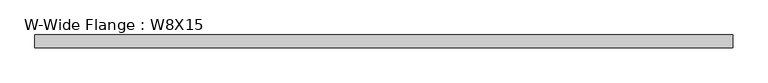
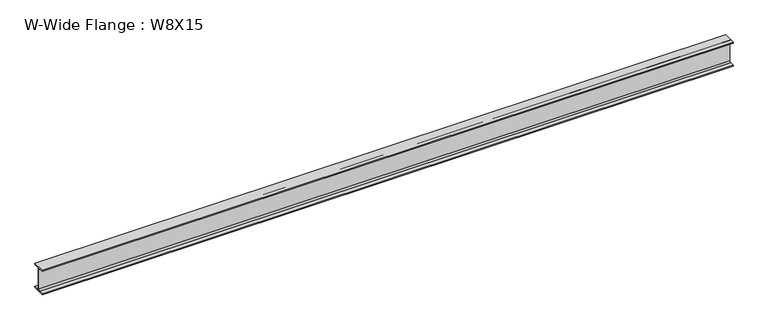
"""IFC4 building model written with IfcOpenShell, lengths in millimetres: beam geometry, W-Wide Flange : W8X15."""

from ifc_helpers import new_model, si_unit, point, frame, frame_2d, origin, place, context, project, spatial, polyline, circle_curve, trimmed, segment, composite_curve, outline, extrude, source, transform, mapped, element, save


def w_wide_flange_w8x15_b2295f46(model_context):
    return source(origin(), model_context, "Body", "SweptSolid", [
        extrude(outline(composite_curve([segment(polyline([(50.927, -94.996), (50.927, -102.997), (-50.927, -102.997), (-50.927, -94.996), (-15.748, -94.996)]), True, "CONTINUOUS"), segment(trimmed(circle_curve(frame_2d((-15.748, -82.3595)), 12.6365), [point((-15.748, -94.996))], [point((-3.1115, -82.3595))], True, "CARTESIAN"), True, "CONTINUOUS"), segment(polyline([(-3.1115, -82.3595), (-3.1115, 82.3595)]), True, "CONTINUOUS"), segment(trimmed(circle_curve(frame_2d((-15.748, 82.3595)), 12.6365), [point((-3.1115, 82.3595))], [point((-15.748, 94.996))], True, "CARTESIAN"), True, "CONTINUOUS"), segment(polyline([(-15.748, 94.996), (-50.927, 94.996), (-50.927, 102.997), (50.927, 102.997), (50.927, 94.996), (15.748, 94.996)]), True, "CONTINUOUS"), segment(trimmed(circle_curve(frame_2d((15.748, 82.3595)), 12.6365), [point((15.748, 94.996))], [point((3.1115, 82.3595))], True, "CARTESIAN"), True, "CONTINUOUS"), segment(polyline([(3.1115, 82.3595), (3.1115, -82.3595)]), True, "CONTINUOUS"), segment(trimmed(circle_curve(frame_2d((15.748, -82.3595)), 12.6365), [point((3.1115, -82.3595))], [point((15.748, -94.996))], True, "CARTESIAN"), True, "CONTINUOUS"), segment(polyline([(15.748, -94.996), (50.927, -94.996)]), True, "CONTINUOUS")], self_intersect=False)), frame((-2782.6208334, 0.0, 0.0), z_axis=(1.0, 0.0, 0.0), x_axis=(0.0, 1.0, 0.0)), (0.0, 0.0, 1.0), 5565.2416669),
    ])


if __name__ == "__main__":
    model = new_model("IFC4")
    model_context = context("Model", 3, world=origin())
    ifc_project = project(units=[si_unit("LENGTHUNIT", "METRE", prefix="MILLI")], contexts=[model_context])
    site = spatial("IfcSite", under=ifc_project)
    building = spatial("IfcBuilding", under=site)
    placement = place(None, origin())
    w_wide_flange_w8x15_shape = w_wide_flange_w8x15_b2295f46(model_context)
    element("IfcBeam", 1, ObjectType="W-Wide Flange : W8X15", at=placement, inside=building, context=model_context, shape_type="MappedRepresentation", body=[
        mapped(w_wide_flange_w8x15_shape, transform((0.0, 0.0, 0.0), x_axis=(1.0, 0.0, 0.0), y_axis=(0.0, 1.0, 0.0), z_axis=(0.0, 0.0, 1.0))),
    ])
    save(model, "model.ifc")
